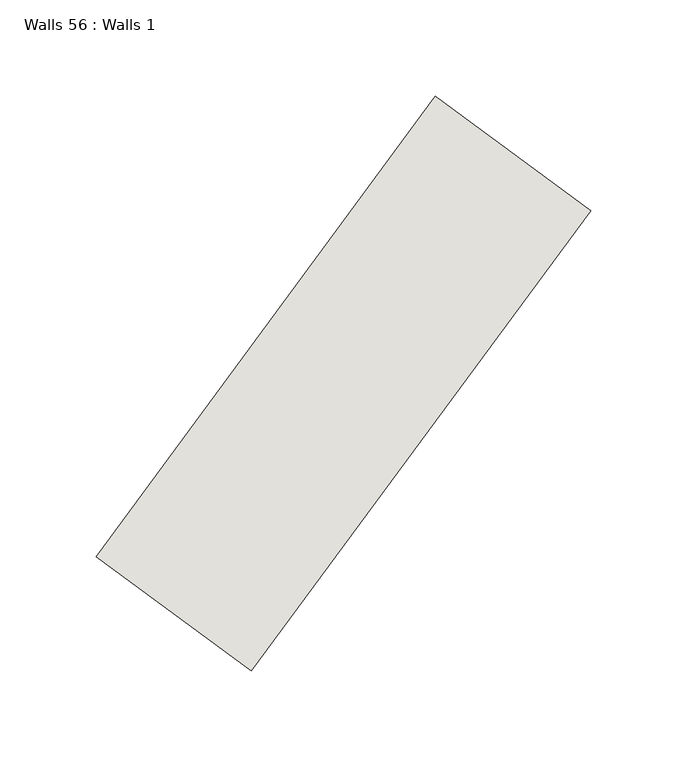
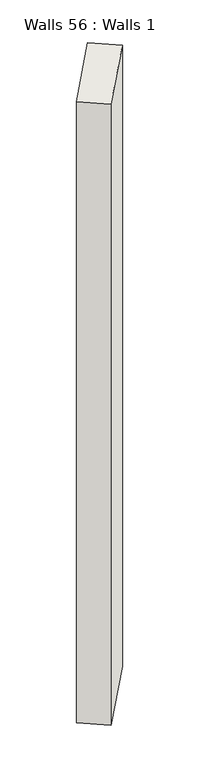
"""IFC4 building model written with IfcOpenShell, lengths in millimetres: wall geometry, Walls 56 : Walls 1."""

from ifc_helpers import new_model, si_unit, origin, origin_with_axes, place, context, project, spatial, polyline, outline, extrude, source, transform, mapped, element, save


def walls_56_walls_1_086406c9(model_context):
    return source(origin(), model_context, "Body", "SweptSolid", [
        extrude(outline(polyline([(9330.7241304, 78.1699308), (9506.6980927, 317.0864535), (9587.2149073, 257.7817946), (9411.240945, 18.8652718), (9330.7241304, 78.1699308)])), origin_with_axes(), (0.0, 0.0, 1.0), 2177.4027109),
    ])


if __name__ == "__main__":
    model = new_model("IFC4")
    model_context = context("Model", 3, world=origin())
    ifc_project = project(units=[si_unit("LENGTHUNIT", "METRE", prefix="MILLI")], contexts=[model_context])
    site = spatial("IfcSite", under=ifc_project)
    building = spatial("IfcBuilding", under=site)
    placement = place(None, origin())
    walls_56_walls_1_shape = walls_56_walls_1_086406c9(model_context)
    element("IfcWall", 1, ObjectType="Walls 56 : Walls 1", at=placement, inside=building, context=model_context, shape_type="MappedRepresentation", body=[
        mapped(walls_56_walls_1_shape, transform((0.0, 0.0, 0.0), x_axis=(1.0, 0.0, 0.0), y_axis=(0.0, 1.0, 0.0), z_axis=(0.0, 0.0, 1.0))),
    ])
    save(model, "model.ifc")
